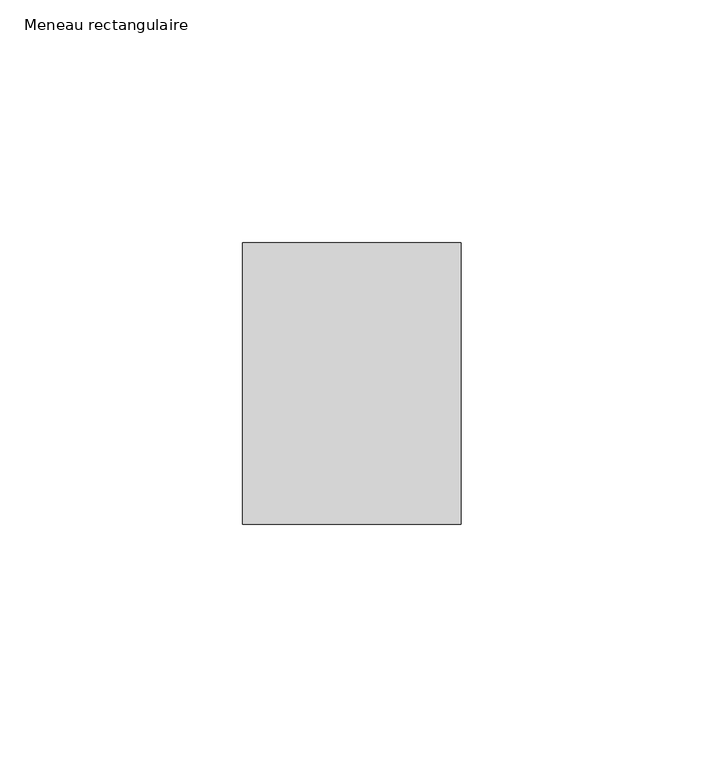
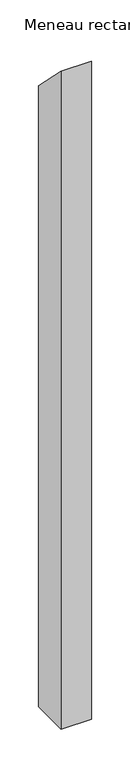
"""IFC4 building model written with IfcOpenShell, lengths in millimetres: member geometry, Meneau rectangulaire."""

import ifcopenshell
import ifcopenshell.guid

model = None  # the IFC model being written
_history = None  # IfcOwnerHistory: only IFC2X3 demands one
_inside = {}  # id of a spatial element -> (the spatial element, [elements in it])
_under = {}  # id of a project, library or spatial element -> (it, [spatial elements below it])
_declared = {}  # id of a project -> (the project, [libraries it declares])
_typed = {}  # id of a type object -> (the type object, [elements of that type])
_made_of = {}  # id of a material, layer set ... -> (it, [elements and type objects made of it])


def new_model(schema):
    """Start an empty IFC model of exactly this schema.

    Asked for "IFC4X3", IfcOpenShell would pick the latest addendum, in which some entities
    have other attributes; the version numbers below select the first issue.
    IFC2X3 requires an IfcOwnerHistory on every rooted entity: one is made here for all.
    """
    global model, _history
    if schema == "IFC4X3":
        model = ifcopenshell.file(schema_version=(4, 3, 0, 0))
    else:
        model = ifcopenshell.file(schema=schema)
    _inside.clear()
    _under.clear()
    _declared.clear()
    _typed.clear()
    _made_of.clear()
    _history = None
    if model.schema == "IFC2X3":
        org = make("IfcOrganization", Name="unknown")
        user = make(
            "IfcPersonAndOrganization",
            ThePerson=make("IfcPerson", FamilyName="unknown"),
            TheOrganization=org,
        )
        app = make(
            "IfcApplication",
            ApplicationDeveloper=org,
            Version="unknown",
            ApplicationFullName="unknown",
            ApplicationIdentifier="unknown",
        )
        _history = make(
            "IfcOwnerHistory",
            OwningUser=user,
            OwningApplication=app,
            ChangeAction="ADDED",
            CreationDate=0,
        )
    return model


def make(cls, **values):
    """One entity of the class cls with the attributes given. An attribute that is None is left unset."""
    return model.create_entity(
        cls, **{name: value for name, value in values.items() if value is not None}
    )


def rooted(cls, **values):
    """An entity with a GlobalId (a new one), such as an element, a storey or a relation."""
    return make(cls, GlobalId=ifcopenshell.guid.new(), OwnerHistory=_history, **values)


def si_unit(unit_type, name, prefix=None):
    """IfcSIUnit, for example si_unit("LENGTHUNIT", "METRE", prefix="MILLI")."""
    return make("IfcSIUnit", UnitType=unit_type, Prefix=prefix, Name=name)


def assignment(units):
    """IfcUnitAssignment: the units of a project."""
    return None if units is None else make("IfcUnitAssignment", Units=units)


def point(xyz):
    """IfcCartesianPoint."""
    return None if xyz is None else make("IfcCartesianPoint", Coordinates=xyz)


def direction(xyz):
    """IfcDirection."""
    return None if xyz is None else make("IfcDirection", DirectionRatios=xyz)


def frame(location, z_axis=None, x_axis=None):
    """IfcAxis2Placement3D, a coordinate frame: its origin and axes. An axis left out is left unset."""
    return make(
        "IfcAxis2Placement3D",
        Location=point(location),
        Axis=direction(z_axis),
        RefDirection=direction(x_axis),
    )


def origin():
    """The frame at (0, 0, 0) with its axes left unset."""
    return frame((0.0, 0.0, 0.0))


def place(relative_to, where):
    """IfcLocalPlacement: puts the frame where relative to a parent placement (None: the world)."""
    return make(
        "IfcLocalPlacement", PlacementRelTo=relative_to, RelativePlacement=where
    )


def context(
    kind, dimensions, precision=None, world=None, true_north=None, identifier=None
):
    """IfcGeometricRepresentationContext, for example the 3D "Model" context."""
    return make(
        "IfcGeometricRepresentationContext",
        ContextIdentifier=identifier,
        ContextType=kind,
        CoordinateSpaceDimension=dimensions,
        Precision=precision,
        WorldCoordinateSystem=world,
        TrueNorth=true_north,
    )


def project(units=None, contexts=None):
    """IfcProject with its units and contexts."""
    return rooted(
        "IfcProject",
        Name="project",
        RepresentationContexts=contexts,
        UnitsInContext=assignment(units),
    )


def spatial(cls, under=None, at=None, **own):
    """A site, building, storey or space (cls), placed at a placement, below another one or the project."""
    s = rooted(cls, ObjectPlacement=at, **own)
    if under is not None:
        _under.setdefault(under.id(), (under, []))[1].append(s)
    return s


def polyline(points):
    """IfcPolyline through the points."""
    return make("IfcPolyline", Points=[point(p) for p in points])


def outline(outer, holes=None, kind="AREA"):
    """IfcArbitraryClosedProfileDef: a profile drawn as a closed curve; with holes, ...WithVoids."""
    if holes is None:
        return make("IfcArbitraryClosedProfileDef", ProfileType=kind, OuterCurve=outer)
    return make(
        "IfcArbitraryProfileDefWithVoids",
        ProfileType=kind,
        OuterCurve=outer,
        InnerCurves=holes,
    )


def extrude(swept, where, along, depth):
    """IfcExtrudedAreaSolid: the profile swept, set in the frame where, extruded along a direction by depth."""
    return make(
        "IfcExtrudedAreaSolid",
        SweptArea=swept,
        Position=where,
        ExtrudedDirection=direction(along),
        Depth=depth,
    )


def shape(context_of_items, identifier, shape_type, items):
    """IfcShapeRepresentation: the items that make up one representation, for example the "Body"."""
    return make(
        "IfcShapeRepresentation",
        ContextOfItems=context_of_items,
        RepresentationIdentifier=identifier,
        RepresentationType=shape_type,
        Items=items,
    )


def source(mapping_origin, context_of_items, identifier, shape_type, items):
    """IfcRepresentationMap: a shape defined once, which mapped items show again and again."""
    return make(
        "IfcRepresentationMap",
        MappingOrigin=mapping_origin,
        MappedRepresentation=shape(context_of_items, identifier, shape_type, items),
    )


def transform(
    local_origin,
    x_axis=None,
    y_axis=None,
    z_axis=None,
    scale=None,
    scale2=None,
    scale3=None,
    uniform=True,
):
    """IfcCartesianTransformationOperator3D, or its non-uniform kind. x_axis, y_axis, z_axis: its Axis1, 2, 3."""
    if uniform:
        return make(
            "IfcCartesianTransformationOperator3D",
            Axis1=direction(x_axis),
            Axis2=direction(y_axis),
            LocalOrigin=point(local_origin),
            Scale=scale,
            Axis3=direction(z_axis),
        )
    return make(
        "IfcCartesianTransformationOperator3DnonUniform",
        Axis1=direction(x_axis),
        Axis2=direction(y_axis),
        LocalOrigin=point(local_origin),
        Scale=scale,
        Axis3=direction(z_axis),
        Scale2=scale2,
        Scale3=scale3,
    )


def mapped(mapping_source, mapping_target):
    """IfcMappedItem: shows the shape of a source again, moved by a transform."""
    return make(
        "IfcMappedItem", MappingSource=mapping_source, MappingTarget=mapping_target
    )


def made_of(thing, what):
    """Note that an element or type object is made of a material, layer set ...; save() writes the relation."""
    if what is not None:
        _made_of.setdefault(what.id(), (what, []))[1].append(thing)
    return thing


def element(
    cls,
    number,
    at=None,
    inside=None,
    cuts=None,
    type_object=None,
    material=None,
    context=None,
    identifier="Body",
    shape_type=None,
    held_by="IfcProductDefinitionShape",
    body=None,
    shapes=None,
    **own,
):
    """One element of the class cls, such as IfcWall. Its Tag is "e" and its number.

    at: its placement. inside: the storey or other place that contains it. cuts: it is an
    opening in that element (IfcRelVoidsElement). A single representation is given by context,
    identifier, shape_type and body (its items); several are given by shapes. held_by: the class
    of the entity that holds the representations. save() writes the other relations.
    """
    e = rooted(cls, Tag="e%d" % number, ObjectPlacement=at, **own)
    if body is not None:
        shapes = [shape(context, identifier, shape_type, body)]
    if shapes is not None:
        e.Representation = make(held_by, Representations=shapes)
    if inside is not None:
        _inside.setdefault(inside.id(), (inside, []))[1].append(e)
    if cuts is not None:
        rooted(
            "IfcRelVoidsElement", RelatingBuildingElement=cuts, RelatedOpeningElement=e
        )
    if type_object is not None:
        _typed.setdefault(type_object.id(), (type_object, []))[1].append(e)
    return made_of(e, material)


def aggregate(whole, parts):
    """IfcRelAggregates: a whole, such as a stair, and the parts it consists of."""
    return rooted("IfcRelAggregates", RelatingObject=whole, RelatedObjects=parts)


def save(model, path):
    """Write the relations noted so far, then the file.

    IfcRelAggregates (storeys below a building ...), IfcRelContainedInSpatialStructure (elements
    in a storey), IfcRelDefinesByType, IfcRelAssociatesMaterial and IfcRelDeclares: one each for
    every whole, place, type object, material and project.
    """
    for whole, parts in _under.values():
        aggregate(whole, parts)
    for where, things in _inside.values():
        rooted(
            "IfcRelContainedInSpatialStructure",
            RelatedElements=things,
            RelatingStructure=where,
        )
    for kind, things in _typed.values():
        rooted("IfcRelDefinesByType", RelatedObjects=things, RelatingType=kind)
    for what, things in _made_of.values():
        rooted("IfcRelAssociatesMaterial", RelatedObjects=things, RelatingMaterial=what)
    for by, libraries in _declared.values():
        rooted("IfcRelDeclares", RelatingContext=by, RelatedDefinitions=libraries)
    model.write(path)


def meneau_rectangulaire_51d57c82(model_context):
    return source(origin(), model_context, "Body", "SweptSolid", [
        extrude(outline(polyline([(-29.0, 29.0), (29.0, -29.0), (29.0, -1005.5040494), (-29.0, -1005.5040494), (-29.0, 29.0)])), frame((-45.0, 0.0, 0.0), z_axis=(1.0, 0.0, 0.0), x_axis=(0.0, 1.0, 0.0)), (0.0, 0.0, 1.0), 45.0),
    ])


if __name__ == "__main__":
    model = new_model("IFC4")
    model_context = context("Model", 3, world=origin())
    ifc_project = project(units=[si_unit("LENGTHUNIT", "METRE", prefix="MILLI")], contexts=[model_context])
    site = spatial("IfcSite", under=ifc_project)
    building = spatial("IfcBuilding", under=site)
    placement = place(None, origin())
    meneau_rectangulaire_shape = meneau_rectangulaire_51d57c82(model_context)
    element("IfcMember", 1, ObjectType="Meneau rectangulaire", at=placement, inside=building, context=model_context, shape_type="MappedRepresentation", body=[
        mapped(meneau_rectangulaire_shape, transform((0.0, 0.0, 0.0), x_axis=(1.0, 0.0, 0.0), y_axis=(0.0, 1.0, 0.0), z_axis=(0.0, 0.0, 1.0))),
    ])
    save(model, "model.ifc")
